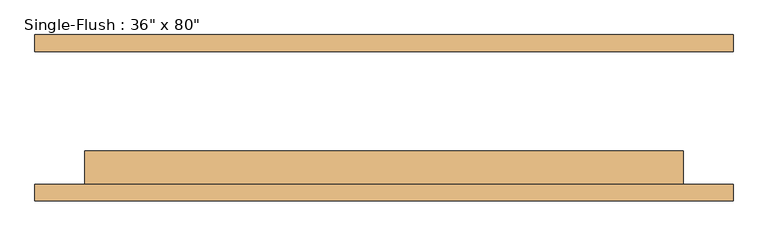
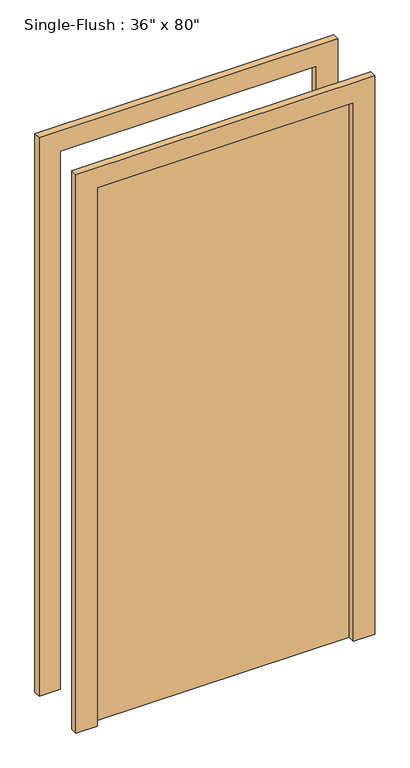
"""IFC4 building model written with IfcOpenShell, lengths in millimetres: door geometry."""

from ifc_helpers import new_model, si_unit, frame, origin, origin_with_axes, place, context, project, spatial, polyline, outline, extrude, source, transform, mapped, element, save


def door_09f6fe45(model_context):
    return source(origin(), model_context, "Body", "SweptSolid", [
        extrude(outline(polyline([(2108.2, -533.4), (0.0, -533.4), (0.0, -457.2), (2032.0, -457.2), (2032.0, 457.2), (0.0, 457.2), (0.0, 533.4), (2108.2, 533.4), (2108.2, -533.4)])), frame((0.0, -127.0, 0.0), z_axis=(0.0, 1.0, 0.0), x_axis=(0.0, 0.0, 1.0)), (0.0, 0.0, 1.0), 25.4),
        extrude(outline(polyline([(2108.2, 533.4), (2108.2, -533.4), (0.0, -533.4), (0.0, -457.2), (2032.0, -457.2), (2032.0, 457.2), (0.0, 457.2), (0.0, 533.4), (2108.2, 533.4)])), frame((0.0, 101.6, 0.0), z_axis=(0.0, 1.0, 0.0), x_axis=(0.0, 0.0, 1.0)), (0.0, 0.0, 1.0), 25.4),
        extrude(outline(polyline([(457.2, -50.8), (457.2, -101.6), (-457.2, -101.6), (-457.2, -50.8), (457.2, -50.8)])), origin_with_axes(), (0.0, 0.0, 1.0), 2032.0),
    ])


if __name__ == "__main__":
    model = new_model("IFC4")
    model_context = context("Model", 3, world=origin())
    ifc_project = project(units=[si_unit("LENGTHUNIT", "METRE", prefix="MILLI")], contexts=[model_context])
    site = spatial("IfcSite", under=ifc_project)
    building = spatial("IfcBuilding", under=site)
    placement = place(None, origin())
    door_shape = door_09f6fe45(model_context)
    element("IfcDoor", 1, ObjectType="Single-Flush : 36\" x 80\"", at=placement, inside=building, context=model_context, shape_type="MappedRepresentation", body=[
        mapped(door_shape, transform((0.0, 0.0, 0.0), x_axis=(1.0, 0.0, 0.0), y_axis=(0.0, 1.0, 0.0), z_axis=(0.0, 0.0, 1.0))),
    ])
    save(model, "model.ifc")
